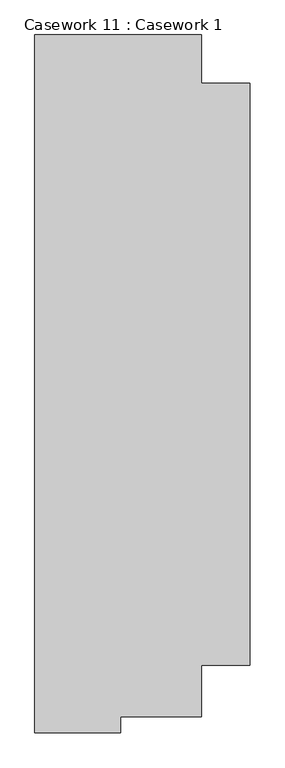
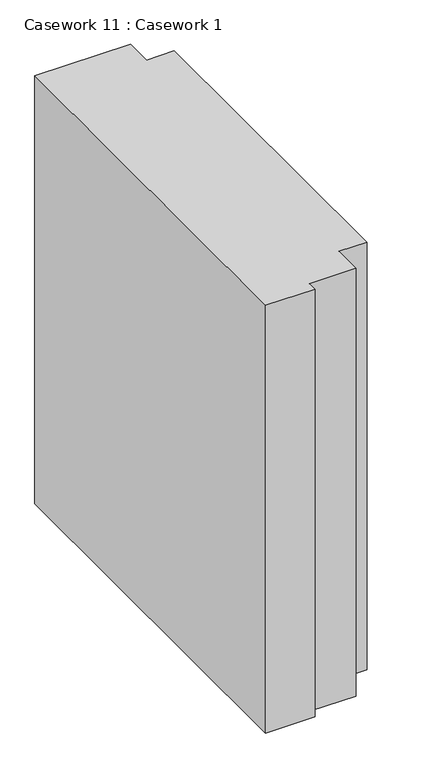
"""IFC4 building model written with IfcOpenShell, lengths in millimetres: furniture geometry, Casework 11 : Casework 1."""

from ifc_helpers import new_model, si_unit, frame, origin, place, context, project, spatial, polyline, outline, extrude, source, transform, mapped, element, save


def casework_11_casework_1_c13fe57a(model_context):
    return source(origin(), model_context, "Body", "SweptSolid", [
        extrude(outline(polyline([(95452.7769414, -25060.835481), (95452.7769414, -22902.4801084), (95968.7769414, -22902.4801084), (95968.7769414, -23052.4801084), (96118.7769414, -23052.4801084), (96118.7769414, -24850.835481), (95968.7769414, -24850.835481), (95968.7769414, -25010.835481), (95718.7769414, -25010.835481), (95718.7769414, -25060.835481), (95452.7769414, -25060.835481)])), frame((0.0, 0.0, 68000.0), z_axis=(0.0, 0.0, 1.0), x_axis=(1.0, 0.0, 0.0)), (0.0, 0.0, 1.0), 2438.4),
    ])


if __name__ == "__main__":
    model = new_model("IFC4")
    model_context = context("Model", 3, world=origin())
    ifc_project = project(units=[si_unit("LENGTHUNIT", "METRE", prefix="MILLI")], contexts=[model_context])
    site = spatial("IfcSite", under=ifc_project)
    building = spatial("IfcBuilding", under=site)
    placement = place(None, origin())
    casework_11_casework_1_shape = casework_11_casework_1_c13fe57a(model_context)
    element("IfcFurniture", 1, ObjectType="Casework 11 : Casework 1", at=placement, inside=building, context=model_context, shape_type="MappedRepresentation", body=[
        mapped(casework_11_casework_1_shape, transform((0.0, 0.0, 0.0), x_axis=(1.0, 0.0, 0.0), y_axis=(0.0, 1.0, 0.0), z_axis=(0.0, 0.0, 1.0))),
    ])
    save(model, "model.ifc")
